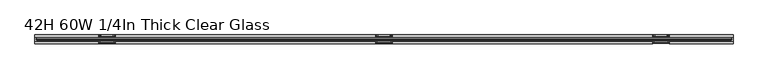
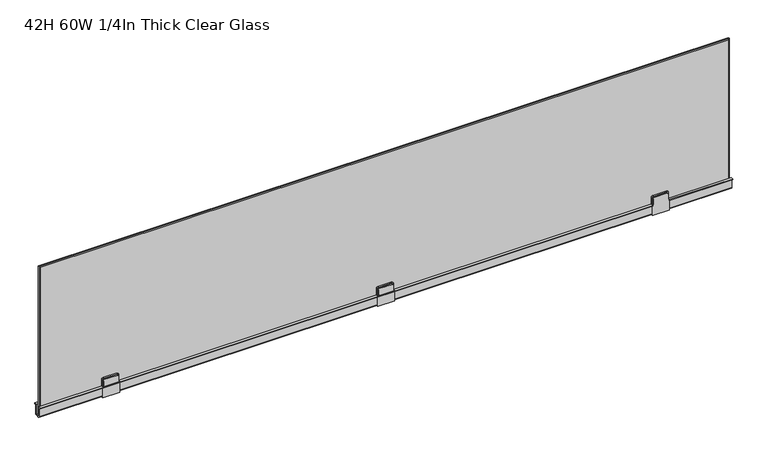
"""IFC4 building model written with IfcOpenShell, lengths in millimetres: furniture geometry, 42H 60W 1/4In Thick Clear Glass."""

from ifc_helpers import new_model, si_unit, frame, origin, place, context, project, spatial, polyline, outline, extrude, faceted_brep, source, transform, mapped, element, save


def furniture_42h_60w_1_4in_thick_clear_glass_7bd05e85(model_context):
    return source(origin(), model_context, "Body", "SolidModel", [
        faceted_brep([(743.6033894, -8.4204378, 342.9), (780.3966106, -8.4204378, 342.9), (780.3966106, -8.4204378, 367.737825), (778.8725848, -8.4204378, 367.737825), (778.8725848, -8.4204378, 380.6845396), (777.9939865, -8.4204378, 382.8056311), (775.8728496, -8.4204378, 383.6842838), (748.1271504, -8.4204378, 383.6842838), (746.0060226, -8.4204378, 382.8056311), (745.1274243, -8.4204378, 380.6845396), (745.1274243, -8.4204378, 367.737825), (743.6033894, -8.4204378, 367.737825), (780.3966106, 9.7469319, 342.9), (743.6033894, 9.7469319, 342.9), (743.6033894, 9.7469319, 367.737825), (745.1274243, 9.7469319, 367.737825), (745.1274243, 9.7469319, 380.6845396), (746.0060226, 9.7469319, 382.8056311), (748.1271504, 9.7469319, 383.6842838), (775.8728496, 9.7469319, 383.6842838), (777.9939865, 9.7469319, 382.8056311), (778.8725848, 9.7469319, 380.6845396), (778.8725848, 9.7469319, 367.737825), (780.3966106, 9.7469319, 367.737825), (746.6031518, 5.8660005, 385.208246), (744.482015, 5.8660005, 384.3296659), (744.482015, -5.8660005, 384.3296659), (746.6031518, -5.8660005, 385.208246), (743.6033894, 5.8660005, 382.208436), (743.6033894, -5.8660005, 382.208436), (743.6033894, -5.8660005, 367.737825), (743.6033894, 5.8660005, 367.737825), (780.3966106, 5.8660005, 367.737825), (780.3966106, 5.8660005, 382.2084141), (780.3966106, -5.8660005, 382.2084141), (780.3966106, -5.8660005, 367.737825), (779.517976, 5.8660005, 384.3296659), (779.517976, -5.8660005, 384.3296659), (777.3968482, 5.8660005, 385.208246), (777.3968482, -5.8660005, 385.208246), (778.8725848, 5.8660005, 367.737825), (778.8725848, 5.8660005, 380.6845396), (777.9939865, 5.8660005, 382.8056311), (775.8728496, 5.8660005, 383.6842838), (748.1271504, 5.8660005, 383.6842838), (746.0060226, 5.8660005, 382.8056311), (745.1274243, 5.8660005, 380.6845396), (745.1274243, 5.8660005, 367.737825), (745.1274243, -5.8660005, 367.737825), (745.1274243, -5.8660005, 380.6845396), (746.0060226, -5.8660005, 382.8056311), (748.1271504, -5.8660005, 383.6842838), (775.8728496, -5.8660005, 383.6842838), (777.9939865, -5.8660005, 382.8056311), (778.8725848, -5.8660005, 380.6845396), (778.8725848, -5.8660005, 367.737825)], [[[0, 1, 2, 3, 4, 5, 6, 7, 8, 9, 10, 11]], [[12, 13, 14, 15, 16, 17, 18, 19, 20, 21, 22, 23]], [[24, 25, 26, 27]], [[25, 28, 29, 26]], [[13, 0, 11, 30, 29, 28, 31, 14]], [[1, 0, 13, 12]], [[1, 12, 23, 32, 33, 34, 35, 2]], [[33, 36, 37, 34]], [[36, 38, 39, 37]], [[38, 24, 27, 39]], [[32, 40, 41, 42, 43, 44, 45, 46, 47, 31, 28, 25, 24, 38, 36, 33]], [[45, 44, 18, 17]], [[46, 45, 17, 16]], [[47, 46, 16, 15]], [[40, 32, 23, 22]], [[41, 40, 22, 21]], [[42, 41, 21, 20]], [[43, 42, 20, 19]], [[44, 43, 19, 18]], [[30, 48, 49, 50, 51, 52, 53, 54, 55, 35, 34, 37, 39, 27, 26, 29]], [[51, 50, 8, 7]], [[50, 49, 9, 8]], [[49, 48, 10, 9]], [[35, 55, 3, 2]], [[55, 54, 4, 3]], [[54, 53, 5, 4]], [[53, 52, 6, 5]], [[52, 51, 7, 6]], [[31, 47, 15, 14]], [[48, 30, 11, 10]]]),
        faceted_brep([(1347.088987, -8.4204378, 342.9), (1383.8821082, -8.4204378, 342.9), (1383.8821082, -8.4204378, 367.737825), (1382.3581824, -8.4204378, 367.737825), (1382.3581824, -8.4204378, 380.6845396), (1381.4795841, -8.4204378, 382.8056311), (1379.3584472, -8.4204378, 383.6842838), (1351.612748, -8.4204378, 383.6842838), (1349.4916202, -8.4204378, 382.8056311), (1348.6130219, -8.4204378, 380.6845396), (1348.6130219, -8.4204378, 367.737825), (1347.088987, -8.4204378, 367.737825), (1383.8821082, 9.7469319, 342.9), (1347.088987, 9.7469319, 342.9), (1347.088987, 9.7469319, 367.737825), (1348.6130219, 9.7469319, 367.737825), (1348.6130219, 9.7469319, 380.6845396), (1349.4916202, 9.7469319, 382.8056311), (1351.612748, 9.7469319, 383.6842838), (1379.3584472, 9.7469319, 383.6842838), (1381.4795841, 9.7469319, 382.8056311), (1382.3581824, 9.7469319, 380.6845396), (1382.3581824, 9.7469319, 367.737825), (1383.8821082, 9.7469319, 367.737825), (1383.0035826, 5.8660005, 384.3296659), (1380.8824458, 5.8660005, 385.208246), (1380.8824458, -5.8660005, 385.208246), (1383.0035826, -5.8660005, 384.3296659), (1383.8821082, 5.8660005, 382.2086773), (1383.8821082, -5.8660005, 382.2086773), (1383.8821082, 5.8660005, 367.737825), (1383.8821082, -5.8660005, 367.737825), (1347.088987, -5.8660005, 367.737825), (1347.088987, -5.8660005, 382.2084141), (1347.088987, 5.8660005, 382.2084141), (1347.088987, 5.8660005, 367.737825), (1347.9676216, 5.8660005, 384.3296659), (1347.9676216, -5.8660005, 384.3296659), (1350.0887494, 5.8660005, 385.208246), (1350.0887494, -5.8660005, 385.208246), (1382.3581824, 5.8660005, 367.737825), (1382.3581824, 5.8660005, 380.6845396), (1381.4795841, 5.8660005, 382.8056311), (1379.3584472, 5.8660005, 383.6842838), (1351.612748, 5.8660005, 383.6842838), (1349.4916202, 5.8660005, 382.8056311), (1348.6130219, 5.8660005, 380.6845396), (1348.6130219, 5.8660005, 367.737825), (1348.6130219, -5.8660005, 367.737825), (1348.6130219, -5.8660005, 380.6845396), (1349.4916202, -5.8660005, 382.8056311), (1351.612748, -5.8660005, 383.6842838), (1379.3584472, -5.8660005, 383.6842838), (1381.4795841, -5.8660005, 382.8056311), (1382.3581824, -5.8660005, 380.6845396), (1382.3581824, -5.8660005, 367.737825)], [[[0, 1, 2, 3, 4, 5, 6, 7, 8, 9, 10, 11]], [[12, 13, 14, 15, 16, 17, 18, 19, 20, 21, 22, 23]], [[24, 25, 26, 27]], [[28, 24, 27, 29]], [[1, 12, 23, 30, 28, 29, 31, 2]], [[1, 0, 13, 12]], [[13, 0, 11, 32, 33, 34, 35, 14]], [[36, 34, 33, 37]], [[38, 36, 37, 39]], [[25, 38, 39, 26]], [[30, 40, 41, 42, 43, 44, 45, 46, 47, 35, 34, 36, 38, 25, 24, 28]], [[45, 44, 18, 17]], [[46, 45, 17, 16]], [[47, 46, 16, 15]], [[40, 30, 23, 22]], [[41, 40, 22, 21]], [[42, 41, 21, 20]], [[43, 42, 20, 19]], [[44, 43, 19, 18]], [[32, 48, 49, 50, 51, 52, 53, 54, 55, 31, 29, 27, 26, 39, 37, 33]], [[51, 50, 8, 7]], [[50, 49, 9, 8]], [[49, 48, 10, 9]], [[31, 55, 3, 2]], [[55, 54, 4, 3]], [[54, 53, 5, 4]], [[53, 52, 6, 5]], [[52, 51, 7, 6]], [[35, 47, 15, 14]], [[48, 32, 11, 10]]]),
        faceted_brep([(140.1178918, -8.4204378, 342.9), (176.911013, -8.4204378, 342.9), (176.911013, -8.4204378, 367.737825), (175.3869781, -8.4204378, 367.737825), (175.3869781, -8.4204378, 380.6845396), (174.5083798, -8.4204378, 382.8056311), (172.387252, -8.4204378, 383.6842838), (144.6415528, -8.4204378, 383.6842838), (142.5204159, -8.4204378, 382.8056311), (141.6418176, -8.4204378, 380.6845396), (141.6418176, -8.4204378, 367.737825), (140.1178918, -8.4204378, 367.737825), (176.911013, 9.7469319, 342.9), (140.1178918, 9.7469319, 342.9), (140.1178918, 9.7469319, 367.737825), (141.6418176, 9.7469319, 367.737825), (141.6418176, 9.7469319, 380.6845396), (142.5204159, 9.7469319, 382.8056311), (144.6415528, 9.7469319, 383.6842838), (172.387252, 9.7469319, 383.6842838), (174.5083798, 9.7469319, 382.8056311), (175.3869781, 9.7469319, 380.6845396), (175.3869781, 9.7469319, 367.737825), (176.911013, 9.7469319, 367.737825), (143.1175542, 5.8660005, 385.208246), (140.9964174, 5.8660005, 384.3296659), (140.9964174, -5.8660005, 384.3296659), (143.1175542, -5.8660005, 385.208246), (140.1178918, 5.8660005, 382.2086773), (140.1178918, -5.8660005, 382.2086773), (140.1178918, -5.8660005, 367.737825), (140.1178918, 5.8660005, 367.737825), (176.911013, 5.8660005, 367.737825), (176.911013, 5.8660005, 382.2084141), (176.911013, -5.8660005, 382.2084141), (176.911013, -5.8660005, 367.737825), (176.0323784, 5.8660005, 384.3296659), (176.0323784, -5.8660005, 384.3296659), (173.9112506, 5.8660005, 385.208246), (173.9112506, -5.8660005, 385.208246), (175.3869781, 5.8660005, 367.737825), (175.3869781, 5.8660005, 380.6845396), (174.5083798, 5.8660005, 382.8056311), (172.387252, 5.8660005, 383.6842838), (144.6415528, 5.8660005, 383.6842838), (142.5204159, 5.8660005, 382.8056311), (141.6418176, 5.8660005, 380.6845396), (141.6418176, 5.8660005, 367.737825), (141.6418176, -5.8660005, 367.737825), (141.6418176, -5.8660005, 380.6845396), (142.5204159, -5.8660005, 382.8056311), (144.6415528, -5.8660005, 383.6842838), (172.387252, -5.8660005, 383.6842838), (174.5083798, -5.8660005, 382.8056311), (175.3869781, -5.8660005, 380.6845396), (175.3869781, -5.8660005, 367.737825)], [[[0, 1, 2, 3, 4, 5, 6, 7, 8, 9, 10, 11]], [[12, 13, 14, 15, 16, 17, 18, 19, 20, 21, 22, 23]], [[24, 25, 26, 27]], [[25, 28, 29, 26]], [[13, 0, 11, 30, 29, 28, 31, 14]], [[1, 0, 13, 12]], [[1, 12, 23, 32, 33, 34, 35, 2]], [[33, 36, 37, 34]], [[36, 38, 39, 37]], [[38, 24, 27, 39]], [[32, 40, 41, 42, 43, 44, 45, 46, 47, 31, 28, 25, 24, 38, 36, 33]], [[43, 42, 20, 19]], [[42, 41, 21, 20]], [[41, 40, 22, 21]], [[31, 47, 15, 14]], [[47, 46, 16, 15]], [[46, 45, 17, 16]], [[45, 44, 18, 17]], [[44, 43, 19, 18]], [[30, 48, 49, 50, 51, 52, 53, 54, 55, 35, 34, 37, 39, 27, 26, 29]], [[53, 52, 6, 5]], [[54, 53, 5, 4]], [[55, 54, 4, 3]], [[48, 30, 11, 10]], [[49, 48, 10, 9]], [[50, 49, 9, 8]], [[51, 50, 8, 7]], [[52, 51, 7, 6]], [[40, 32, 23, 22]], [[35, 55, 3, 2]]]),
        faceted_brep([(1.5100945, 5.2173142, 367.7995703), (1.5100945, 9.7486737, 367.7995703), (1.5100945, 9.7486737, 366.5016844), (1.5100945, 6.8223596, 366.5016844), (1.5100945, 6.8223596, 346.0336973), (1.5100945, 5.8660005, 343.8824982), (1.5100945, 3.4354604, 342.9), (1.5100945, -3.445312, 342.9), (1.5100945, -5.8758524, 343.8824982), (1.5100945, -6.8223596, 346.0115368), (1.5100945, -6.8223596, 366.5016844), (1.5100945, -9.7486737, 366.5016844), (1.5100945, -9.7486737, 367.7995703), (1.5100945, -5.2173142, 367.7995703), (1.5100945, -5.2173142, 344.3986004), (1.5100945, 5.2173142, 344.3986004), (1522.4899055, 5.2173142, 367.7995703), (1522.4899055, 5.2173142, 344.3986004), (1522.4899055, -5.2173142, 344.3986004), (1522.4899055, -5.2173142, 367.7995703), (1522.4899055, -9.7486737, 367.7995703), (1522.4899055, -9.7486737, 366.5016844), (1522.4899055, -6.8223596, 366.5016844), (1522.4899055, -6.8223596, 346.0115368), (1522.4899055, -5.8758524, 343.8824982), (1522.4899055, -3.445312, 342.9), (1522.4899055, 3.4354604, 342.9), (1522.4899055, 5.8660005, 343.8824982), (1522.4899055, 6.8223596, 346.0336973), (1522.4899055, 6.8223596, 366.5016844), (1522.4899055, 9.7486737, 366.5016844), (1522.4899055, 9.7486737, 367.7995703), (1383.8821082, -5.8758524, 343.8824982), (1347.088987, -5.8660005, 343.8785157), (1347.088987, -6.8223596, 346.0115368), (1383.8821082, -6.8223596, 346.0115368), (1347.088987, -6.8223596, 366.5016844), (1383.8821082, -6.8223596, 366.5016844), (1347.088987, -9.7486737, 366.5016844), (1383.8821082, -9.7486737, 366.5016844), (1347.088987, -9.7486737, 367.7995703), (1383.8821082, -9.7486737, 367.7995703), (1347.088987, -5.8660005, 367.7995703), (1348.6130219, -5.8660005, 367.7995703), (1382.3581824, -5.8660005, 367.7995703), (1383.8821082, -5.8660005, 367.7995703)], [[[0, 1, 2, 3, 4, 5, 6, 7, 8, 9, 10, 11, 12, 13, 14, 15]], [[16, 17, 18, 19, 20, 21, 22, 23, 24, 25, 26, 27, 28, 29, 30, 31]], [[1, 0, 16, 31]], [[2, 1, 31, 30]], [[3, 2, 30, 29]], [[4, 3, 29, 28]], [[5, 4, 28, 27]], [[6, 5, 27, 26]], [[7, 6, 26, 25]], [[8, 7, 25, 24, 32, 33]], [[9, 8, 33, 34]], [[24, 23, 35, 32]], [[10, 9, 34, 36]], [[23, 22, 37, 35]], [[11, 10, 36, 38]], [[22, 21, 39, 37]], [[12, 11, 38, 40]], [[21, 20, 41, 39]], [[13, 12, 40, 42, 43, 44, 45, 41, 20, 19]], [[14, 13, 19, 18]], [[15, 14, 18, 17]], [[0, 15, 17, 16]], [[42, 33, 32, 45, 44, 43]], [[45, 32, 35, 37, 39, 41]], [[33, 42, 40, 38, 36, 34]]]),
        faceted_brep([(4.2643143, 1.1430002, 690.4735981), (6.2963124, 3.175, 688.4416), (6.2963124, 3.175, 346.5758657), (4.2643143, 1.1430002, 344.5438677), (4.2643143, -1.1395829, 690.4735981), (4.2643143, -1.1395829, 344.5438677), (6.2963124, -3.1715827, 688.4416), (6.2963124, -3.1715827, 346.5758657), (1517.6775551, 3.175, 346.5758657), (1519.7095532, 1.1430002, 344.5438677), (1519.7095532, -1.1395829, 344.5438677), (1517.6775551, -3.1715827, 346.5758657), (1517.6775551, 3.175, 688.4416), (1519.7095532, 1.1430002, 690.4735981), (1519.7095532, -1.1395829, 690.4735981), (1517.6775551, -3.1715827, 688.4416)], [[[0, 1, 2, 3]], [[4, 0, 3, 5]], [[6, 4, 5, 7]], [[1, 6, 7, 2]], [[3, 2, 8, 9]], [[5, 3, 9, 10]], [[7, 5, 10, 11]], [[2, 7, 11, 8]], [[9, 8, 12, 13]], [[10, 9, 13, 14]], [[11, 10, 14, 15]], [[8, 11, 15, 12]], [[13, 12, 1, 0]], [[14, 13, 0, 4]], [[15, 14, 4, 6]], [[12, 15, 6, 1]]]),
        extrude(outline(polyline([(1517.6775551, -3.175), (6.2963124, -3.175), (6.2963124, 3.175), (1517.6775551, 3.175), (1517.6775551, -3.175)])), frame((0.0, 0.0, 346.5758657), z_axis=(0.0, 0.0, 1.0), x_axis=(1.0, 0.0, 0.0)), (0.0, 0.0, 1.0), 341.8657343),
    ])


if __name__ == "__main__":
    model = new_model("IFC4")
    model_context = context("Model", 3, world=origin())
    ifc_project = project(units=[si_unit("LENGTHUNIT", "METRE", prefix="MILLI")], contexts=[model_context])
    site = spatial("IfcSite", under=ifc_project)
    building = spatial("IfcBuilding", under=site)
    placement = place(None, origin())
    furniture_42h_60w_1_4in_thick_clear_glass_shape = furniture_42h_60w_1_4in_thick_clear_glass_7bd05e85(model_context)
    element("IfcFurniture", 1, ObjectType="42H 60W 1/4In Thick Clear Glass", at=placement, inside=building, context=model_context, shape_type="MappedRepresentation", body=[
        mapped(furniture_42h_60w_1_4in_thick_clear_glass_shape, transform((0.0, 0.0, 0.0), x_axis=(1.0, 0.0, 0.0), y_axis=(0.0, 1.0, 0.0), z_axis=(0.0, 0.0, 1.0))),
    ])
    save(model, "model.ifc")
